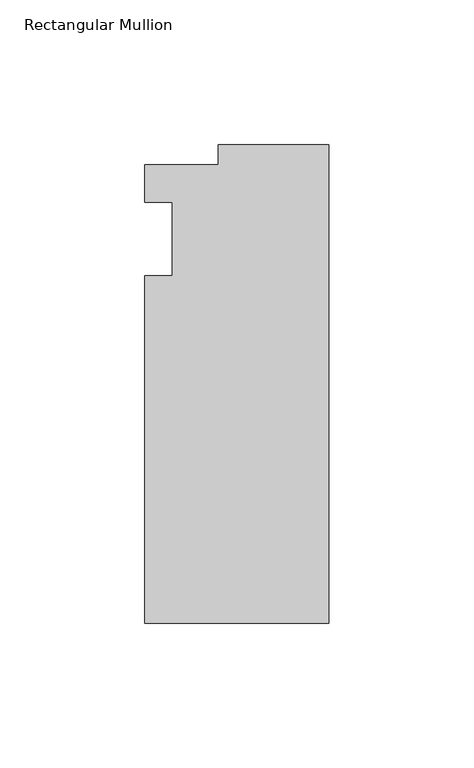
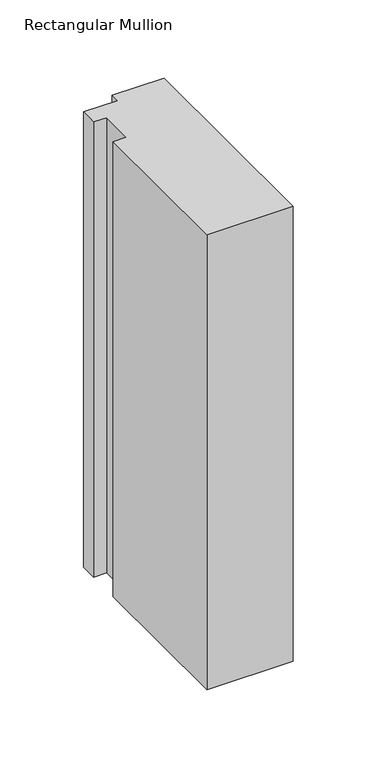
"""IFC4 building model written with IfcOpenShell, lengths in millimetres: member geometry, Rectangular Mullion."""

from ifc_helpers import new_model, si_unit, frame, origin, place, context, project, spatial, polyline, outline, extrude, source, transform, mapped, element, save


def rectangular_mullion_d7ceb6d3(model_context):
    return source(origin(), model_context, "Body", "SweptSolid", [
        extrude(outline(polyline([(-38.1, 32.54375), (0.0, 32.54375), (0.0, -132.55625), (-63.5, -132.55625), (-63.5, -12.7), (-53.975, -12.7), (-53.975, 12.7), (-63.5, 12.7), (-63.5, 25.58415), (-38.1, 25.58415), (-38.1, 32.54375)])), frame((0.0, 0.0, -355.6), z_axis=(0.0, 0.0, 1.0), x_axis=(1.0, 0.0, 0.0)), (0.0, 0.0, 1.0), 355.6),
    ])


if __name__ == "__main__":
    model = new_model("IFC4")
    model_context = context("Model", 3, world=origin())
    ifc_project = project(units=[si_unit("LENGTHUNIT", "METRE", prefix="MILLI")], contexts=[model_context])
    site = spatial("IfcSite", under=ifc_project)
    building = spatial("IfcBuilding", under=site)
    placement = place(None, origin())
    rectangular_mullion_shape = rectangular_mullion_d7ceb6d3(model_context)
    element("IfcMember", 1, ObjectType="Rectangular Mullion", at=placement, inside=building, context=model_context, shape_type="MappedRepresentation", body=[
        mapped(rectangular_mullion_shape, transform((0.0, 0.0, 0.0), x_axis=(1.0, 0.0, 0.0), y_axis=(0.0, 1.0, 0.0), z_axis=(0.0, 0.0, 1.0))),
    ])
    save(model, "model.ifc")
